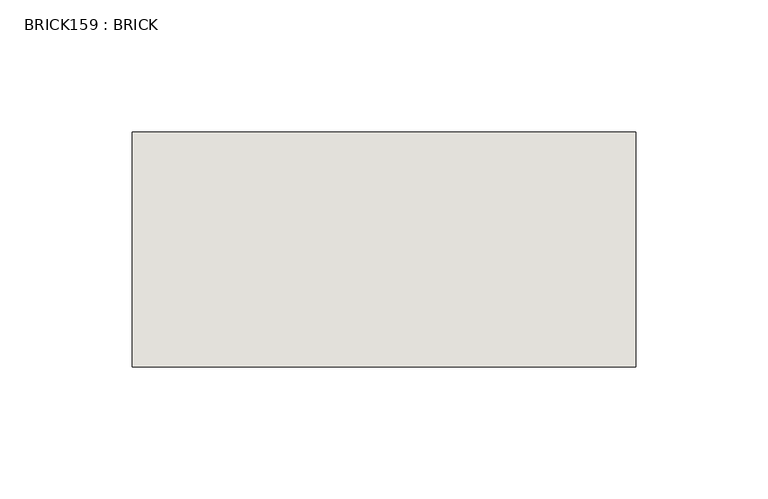
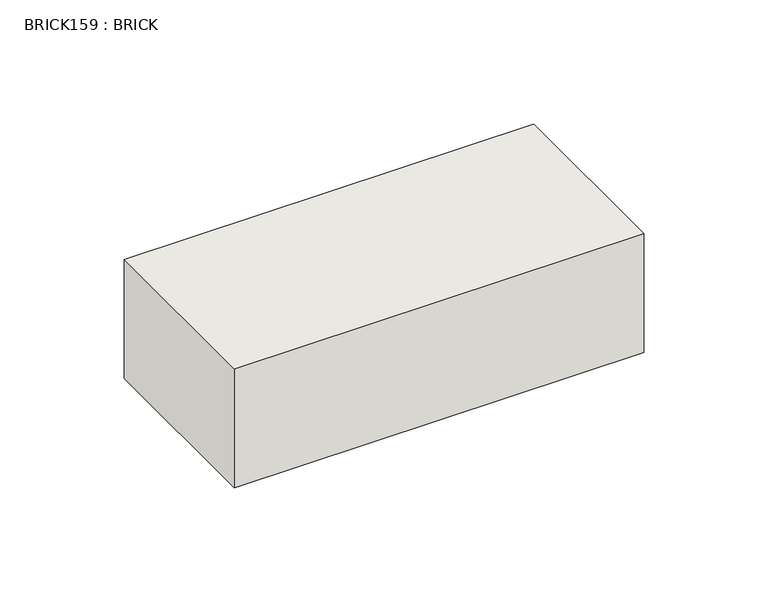
"""IFC4 building model written with IfcOpenShell, lengths in millimetres: wall geometry, BRICK159 : BRICK."""

import ifcopenshell
import ifcopenshell.guid

model = None  # the IFC model being written
_history = None  # IfcOwnerHistory: only IFC2X3 demands one
_inside = {}  # id of a spatial element -> (the spatial element, [elements in it])
_under = {}  # id of a project, library or spatial element -> (it, [spatial elements below it])
_declared = {}  # id of a project -> (the project, [libraries it declares])
_typed = {}  # id of a type object -> (the type object, [elements of that type])
_made_of = {}  # id of a material, layer set ... -> (it, [elements and type objects made of it])


def new_model(schema):
    """Start an empty IFC model of exactly this schema.

    Asked for "IFC4X3", IfcOpenShell would pick the latest addendum, in which some entities
    have other attributes; the version numbers below select the first issue.
    IFC2X3 requires an IfcOwnerHistory on every rooted entity: one is made here for all.
    """
    global model, _history
    if schema == "IFC4X3":
        model = ifcopenshell.file(schema_version=(4, 3, 0, 0))
    else:
        model = ifcopenshell.file(schema=schema)
    _inside.clear()
    _under.clear()
    _declared.clear()
    _typed.clear()
    _made_of.clear()
    _history = None
    if model.schema == "IFC2X3":
        org = make("IfcOrganization", Name="unknown")
        user = make(
            "IfcPersonAndOrganization",
            ThePerson=make("IfcPerson", FamilyName="unknown"),
            TheOrganization=org,
        )
        app = make(
            "IfcApplication",
            ApplicationDeveloper=org,
            Version="unknown",
            ApplicationFullName="unknown",
            ApplicationIdentifier="unknown",
        )
        _history = make(
            "IfcOwnerHistory",
            OwningUser=user,
            OwningApplication=app,
            ChangeAction="ADDED",
            CreationDate=0,
        )
    return model


def make(cls, **values):
    """One entity of the class cls with the attributes given. An attribute that is None is left unset."""
    return model.create_entity(
        cls, **{name: value for name, value in values.items() if value is not None}
    )


def rooted(cls, **values):
    """An entity with a GlobalId (a new one), such as an element, a storey or a relation."""
    return make(cls, GlobalId=ifcopenshell.guid.new(), OwnerHistory=_history, **values)


def si_unit(unit_type, name, prefix=None):
    """IfcSIUnit, for example si_unit("LENGTHUNIT", "METRE", prefix="MILLI")."""
    return make("IfcSIUnit", UnitType=unit_type, Prefix=prefix, Name=name)


def assignment(units):
    """IfcUnitAssignment: the units of a project."""
    return None if units is None else make("IfcUnitAssignment", Units=units)


def point(xyz):
    """IfcCartesianPoint."""
    return None if xyz is None else make("IfcCartesianPoint", Coordinates=xyz)


def direction(xyz):
    """IfcDirection."""
    return None if xyz is None else make("IfcDirection", DirectionRatios=xyz)


def frame(location, z_axis=None, x_axis=None):
    """IfcAxis2Placement3D, a coordinate frame: its origin and axes. An axis left out is left unset."""
    return make(
        "IfcAxis2Placement3D",
        Location=point(location),
        Axis=direction(z_axis),
        RefDirection=direction(x_axis),
    )


def origin():
    """The frame at (0, 0, 0) with its axes left unset."""
    return frame((0.0, 0.0, 0.0))


def place(relative_to, where):
    """IfcLocalPlacement: puts the frame where relative to a parent placement (None: the world)."""
    return make(
        "IfcLocalPlacement", PlacementRelTo=relative_to, RelativePlacement=where
    )


def context(
    kind, dimensions, precision=None, world=None, true_north=None, identifier=None
):
    """IfcGeometricRepresentationContext, for example the 3D "Model" context."""
    return make(
        "IfcGeometricRepresentationContext",
        ContextIdentifier=identifier,
        ContextType=kind,
        CoordinateSpaceDimension=dimensions,
        Precision=precision,
        WorldCoordinateSystem=world,
        TrueNorth=true_north,
    )


def project(units=None, contexts=None):
    """IfcProject with its units and contexts."""
    return rooted(
        "IfcProject",
        Name="project",
        RepresentationContexts=contexts,
        UnitsInContext=assignment(units),
    )


def spatial(cls, under=None, at=None, **own):
    """A site, building, storey or space (cls), placed at a placement, below another one or the project."""
    s = rooted(cls, ObjectPlacement=at, **own)
    if under is not None:
        _under.setdefault(under.id(), (under, []))[1].append(s)
    return s


def polyline(points):
    """IfcPolyline through the points."""
    return make("IfcPolyline", Points=[point(p) for p in points])


def outline(outer, holes=None, kind="AREA"):
    """IfcArbitraryClosedProfileDef: a profile drawn as a closed curve; with holes, ...WithVoids."""
    if holes is None:
        return make("IfcArbitraryClosedProfileDef", ProfileType=kind, OuterCurve=outer)
    return make(
        "IfcArbitraryProfileDefWithVoids",
        ProfileType=kind,
        OuterCurve=outer,
        InnerCurves=holes,
    )


def extrude(swept, where, along, depth):
    """IfcExtrudedAreaSolid: the profile swept, set in the frame where, extruded along a direction by depth."""
    return make(
        "IfcExtrudedAreaSolid",
        SweptArea=swept,
        Position=where,
        ExtrudedDirection=direction(along),
        Depth=depth,
    )


def shape(context_of_items, identifier, shape_type, items):
    """IfcShapeRepresentation: the items that make up one representation, for example the "Body"."""
    return make(
        "IfcShapeRepresentation",
        ContextOfItems=context_of_items,
        RepresentationIdentifier=identifier,
        RepresentationType=shape_type,
        Items=items,
    )


def source(mapping_origin, context_of_items, identifier, shape_type, items):
    """IfcRepresentationMap: a shape defined once, which mapped items show again and again."""
    return make(
        "IfcRepresentationMap",
        MappingOrigin=mapping_origin,
        MappedRepresentation=shape(context_of_items, identifier, shape_type, items),
    )


def transform(
    local_origin,
    x_axis=None,
    y_axis=None,
    z_axis=None,
    scale=None,
    scale2=None,
    scale3=None,
    uniform=True,
):
    """IfcCartesianTransformationOperator3D, or its non-uniform kind. x_axis, y_axis, z_axis: its Axis1, 2, 3."""
    if uniform:
        return make(
            "IfcCartesianTransformationOperator3D",
            Axis1=direction(x_axis),
            Axis2=direction(y_axis),
            LocalOrigin=point(local_origin),
            Scale=scale,
            Axis3=direction(z_axis),
        )
    return make(
        "IfcCartesianTransformationOperator3DnonUniform",
        Axis1=direction(x_axis),
        Axis2=direction(y_axis),
        LocalOrigin=point(local_origin),
        Scale=scale,
        Axis3=direction(z_axis),
        Scale2=scale2,
        Scale3=scale3,
    )


def mapped(mapping_source, mapping_target):
    """IfcMappedItem: shows the shape of a source again, moved by a transform."""
    return make(
        "IfcMappedItem", MappingSource=mapping_source, MappingTarget=mapping_target
    )


def made_of(thing, what):
    """Note that an element or type object is made of a material, layer set ...; save() writes the relation."""
    if what is not None:
        _made_of.setdefault(what.id(), (what, []))[1].append(thing)
    return thing


def element(
    cls,
    number,
    at=None,
    inside=None,
    cuts=None,
    type_object=None,
    material=None,
    context=None,
    identifier="Body",
    shape_type=None,
    held_by="IfcProductDefinitionShape",
    body=None,
    shapes=None,
    **own,
):
    """One element of the class cls, such as IfcWall. Its Tag is "e" and its number.

    at: its placement. inside: the storey or other place that contains it. cuts: it is an
    opening in that element (IfcRelVoidsElement). A single representation is given by context,
    identifier, shape_type and body (its items); several are given by shapes. held_by: the class
    of the entity that holds the representations. save() writes the other relations.
    """
    e = rooted(cls, Tag="e%d" % number, ObjectPlacement=at, **own)
    if body is not None:
        shapes = [shape(context, identifier, shape_type, body)]
    if shapes is not None:
        e.Representation = make(held_by, Representations=shapes)
    if inside is not None:
        _inside.setdefault(inside.id(), (inside, []))[1].append(e)
    if cuts is not None:
        rooted(
            "IfcRelVoidsElement", RelatingBuildingElement=cuts, RelatedOpeningElement=e
        )
    if type_object is not None:
        _typed.setdefault(type_object.id(), (type_object, []))[1].append(e)
    return made_of(e, material)


def aggregate(whole, parts):
    """IfcRelAggregates: a whole, such as a stair, and the parts it consists of."""
    return rooted("IfcRelAggregates", RelatingObject=whole, RelatedObjects=parts)


def save(model, path):
    """Write the relations noted so far, then the file.

    IfcRelAggregates (storeys below a building ...), IfcRelContainedInSpatialStructure (elements
    in a storey), IfcRelDefinesByType, IfcRelAssociatesMaterial and IfcRelDeclares: one each for
    every whole, place, type object, material and project.
    """
    for whole, parts in _under.values():
        aggregate(whole, parts)
    for where, things in _inside.values():
        rooted(
            "IfcRelContainedInSpatialStructure",
            RelatedElements=things,
            RelatingStructure=where,
        )
    for kind, things in _typed.values():
        rooted("IfcRelDefinesByType", RelatedObjects=things, RelatingType=kind)
    for what, things in _made_of.values():
        rooted("IfcRelAssociatesMaterial", RelatedObjects=things, RelatingMaterial=what)
    for by, libraries in _declared.values():
        rooted("IfcRelDeclares", RelatingContext=by, RelatedDefinitions=libraries)
    model.write(path)


def brick159_brick_a8d5439a(model_context):
    return source(origin(), model_context, "Body", "SweptSolid", [
        extrude(outline(polyline([(-384.3469289, 2586.2274125), (-193.8469289, 2586.2274125), (-193.8469289, 2497.3274125), (-384.3469289, 2497.3274125), (-384.3469289, 2586.2274125)])), frame((0.0, 0.0, 353.7148438), z_axis=(0.0, 0.0, 1.0), x_axis=(1.0, 0.0, 0.0)), (0.0, 0.0, 1.0), 58.4398437),
    ])


if __name__ == "__main__":
    model = new_model("IFC4")
    model_context = context("Model", 3, world=origin())
    ifc_project = project(units=[si_unit("LENGTHUNIT", "METRE", prefix="MILLI")], contexts=[model_context])
    site = spatial("IfcSite", under=ifc_project)
    building = spatial("IfcBuilding", under=site)
    placement = place(None, origin())
    brick159_brick_shape = brick159_brick_a8d5439a(model_context)
    element("IfcWall", 1, ObjectType="BRICK159 : BRICK", at=placement, inside=building, context=model_context, shape_type="MappedRepresentation", body=[
        mapped(brick159_brick_shape, transform((0.0, 0.0, 0.0), x_axis=(1.0, 0.0, 0.0), y_axis=(0.0, 1.0, 0.0), z_axis=(0.0, 0.0, 1.0))),
    ])
    save(model, "model.ifc")
